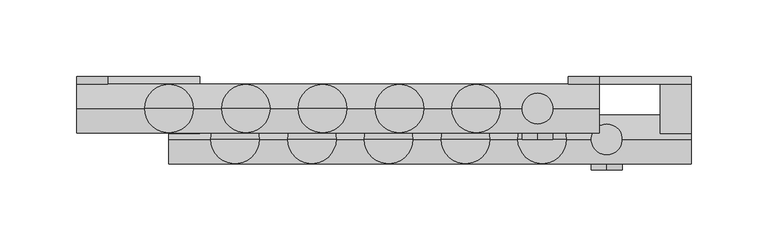
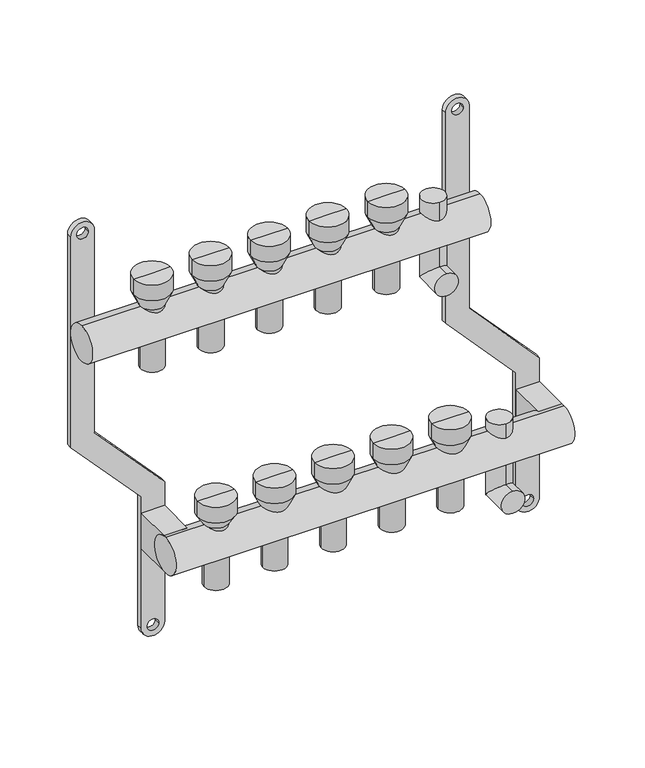
"""IFC4 building model written with IfcOpenShell, lengths in millimetres: proxy geometry."""

from ifc_helpers import new_model, si_unit, point, frame, frame_2d, origin, origin_2d, place, context, project, spatial, polyline, circle_curve, ellipse_curve, trimmed, segment, composite_curve, outline, extrude, source, transform, mapped, element, save
from ifc_brep_helpers import plane_surface, cylinder_surface, revolved_surface, advanced_brep


def mechanical_equipment_9a2f04f0(model_context):
    return source(origin(), model_context, "Body", "SolidModel", [
        extrude(outline(composite_curve([segment(trimmed(circle_curve(frame_2d((86.2845679, 320.0)), 10.0), [point((86.2845679, 330.0))], [point((86.2845679, 310.0))], False, "CARTESIAN"), True, "CONTINUOUS"), segment(polyline([(86.2845679, 310.0), (-103.7138261, 310.0), (-169.0329221, 370.0), (-287.9537524, 370.0)]), True, "CONTINUOUS"), segment(trimmed(circle_curve(frame_2d((-287.9537524, 380.0)), 10.0), [point((-287.9537524, 370.0))], [point((-287.9537524, 390.0))], False, "CARTESIAN"), True, "CONTINUOUS"), segment(polyline([(-287.9537524, 390.0), (-162.5345282, 390.0), (-97.2154321, 330.0), (86.2845679, 330.0)]), True, "CONTINUOUS")], self_intersect=False), holes=[composite_curve([segment(trimmed(circle_curve(frame_2d((86.2845679, 320.0)), 5.0), [point((86.2845679, 315.0))], [point((86.2845679, 325.0))], True, "CARTESIAN"), True, "CONTINUOUS"), segment(trimmed(circle_curve(frame_2d((86.2845679, 320.0)), 5.0), [point((86.2845679, 325.0))], [point((86.2845679, 315.0))], True, "CARTESIAN"), True, "CONTINUOUS")], self_intersect=False), composite_curve([segment(trimmed(circle_curve(frame_2d((-287.9537524, 380.0)), 5.0), [point((-287.9537524, 375.0))], [point((-287.9537524, 385.0))], True, "CARTESIAN"), True, "CONTINUOUS"), segment(trimmed(circle_curve(frame_2d((-287.9537524, 380.0)), 5.0), [point((-287.9537524, 385.0))], [point((-287.9537524, 375.0))], True, "CARTESIAN"), True, "CONTINUOUS")], self_intersect=False)]), frame((0.0, 16.0, 0.0), z_axis=(0.0, 1.0, 0.0), x_axis=(0.0, 0.0, 1.0)), (0.0, 0.0, 1.0), 4.847249),
        advanced_brep(
        [(335.0, -40.0, -250.0), (335.0, -40.0, -230.0), (335.0, -10.0, -250.0), (335.0, -30.0, -230.0), (335.0, -10.0, -175.079492), (335.0, -30.0, -175.079492)],
        [
            (0, 1, circle_curve(frame((335.0, -40.0, -240.0), z_axis=(0.0, -1.0, 0.0), x_axis=(0.0, 0.0, 1.0)), 10.0)),
            (1, 0, circle_curve(frame((335.0, -40.0, -240.0), z_axis=(0.0, -1.0, 0.0), x_axis=(0.0, 0.0, 1.0)), 10.0)),
            (0, 2),
            (2, 3, ellipse_curve(frame((335.0, -20.0, -240.0), z_axis=(0.0, -0.7071067811865475, -0.7071067811865475), x_axis=(0.0, -0.7071067811865476, 0.7071067811865474)), 14.1421356, 10.0)),
            (3, 1),
            (3, 2, ellipse_curve(frame((335.0, -20.0, -240.0), z_axis=(0.0, -0.7071067811865475, -0.7071067811865475), x_axis=(0.0, -0.7071067811865476, 0.7071067811865474)), 14.1421356, 10.0)),
            (4, 5, circle_curve(frame((335.0, -20.0, -175.079492), z_axis=(0.0, 0.0, 1.0), x_axis=(0.0, -1.0, 0.0)), 10.0)),
            (5, 4, circle_curve(frame((335.0, -20.0, -175.079492), z_axis=(0.0, 0.0, 1.0), x_axis=(0.0, -1.0, 0.0)), 10.0)),
            (2, 4),
            (5, 3),
        ],
        [
            plane_surface(frame((335.0, -40.0, -240.0), z_axis=(0.0, -1.0, 0.0), x_axis=(1.0, 0.0, 0.0))),
            cylinder_surface(frame((335.0, -40.0, -240.0), z_axis=(0.0, -1.0, 0.0), x_axis=(0.0, 0.0, 1.0)), 10.0),
            plane_surface(frame((335.0, -20.0, -175.079492), z_axis=(0.0, 0.0, 1.0), x_axis=(1.0, 0.0, 0.0))),
            cylinder_surface(frame((335.0, -20.0, -240.0), z_axis=(0.0, 0.0, -1.0), x_axis=(0.0, -1.0, 0.0)), 10.0),
        ],
        [
            (0, [[1, 2]]),
            (1, [[-1, 3, 4, 5]]),
            (1, [[-2, -5, 6, -3]]),
            (2, [[7, 8]]),
            (3, [[-4, 9, -8, 10]]),
            (3, [[-6, -10, -7, -9]]),
        ],
    ),
        advanced_brep(
        [(290.0, -20.0, -50.0), (290.0, -20.0, -30.0), (290.0, 10.0, -50.0), (290.0, -10.0, -30.0), (290.0, 10.0, 28.420508), (290.0, -10.0, 28.420508)],
        [
            (0, 1, circle_curve(frame((290.0, -20.0, -40.0), z_axis=(0.0, -1.0, 0.0), x_axis=(0.0, 0.0, 1.0)), 10.0)),
            (1, 0, circle_curve(frame((290.0, -20.0, -40.0), z_axis=(0.0, -1.0, 0.0), x_axis=(0.0, 0.0, 1.0)), 10.0)),
            (0, 2),
            (2, 3, ellipse_curve(frame((290.0, 0.0, -40.0), z_axis=(0.0, -0.7071067811865486, -0.7071067811865464), x_axis=(0.0, -0.7071067811865466, 0.7071067811865485)), 14.1421356, 10.0)),
            (3, 1),
            (3, 2, ellipse_curve(frame((290.0, 0.0, -40.0), z_axis=(0.0, -0.7071067811865486, -0.7071067811865464), x_axis=(0.0, -0.7071067811865466, 0.7071067811865485)), 14.1421356, 10.0)),
            (4, 5, circle_curve(frame((290.0, 0.0, 28.420508), z_axis=(0.0, 0.0, 1.0), x_axis=(0.0, -1.0, 0.0)), 10.0)),
            (5, 4, circle_curve(frame((290.0, 0.0, 28.420508), z_axis=(0.0, 0.0, 1.0), x_axis=(0.0, -1.0, 0.0)), 10.0)),
            (2, 4),
            (5, 3),
        ],
        [
            plane_surface(frame((290.0, -20.0, -40.0), z_axis=(0.0, -1.0, 0.0), x_axis=(1.0, 0.0, 0.0))),
            cylinder_surface(frame((290.0, -20.0, -40.0), z_axis=(0.0, -1.0, 0.0), x_axis=(0.0, 0.0, 1.0)), 10.0),
            plane_surface(frame((290.0, 0.0, 28.420508), z_axis=(0.0, 0.0, 1.0), x_axis=(1.0, 0.0, 0.0))),
            cylinder_surface(frame((290.0, 0.0, -40.0), z_axis=(0.0, 0.0, -1.0), x_axis=(0.0, -1.0, 0.0)), 10.0),
        ],
        [
            (0, [[1, 2]]),
            (1, [[-1, 3, 4, 5]]),
            (1, [[-2, -5, 6, -3]]),
            (2, [[7, 8]]),
            (3, [[-4, 9, -8, 10]]),
            (3, [[-6, -10, -7, -9]]),
        ],
    ),
        extrude(outline(composite_curve([segment(trimmed(circle_curve(frame_2d((-20.0, -200.0)), 16.0), [point((-20.0, -216.0))], [point((-20.0, -184.0))], False, "CARTESIAN"), True, "CONTINUOUS"), segment(trimmed(circle_curve(frame_2d((-20.0, -200.0)), 16.0), [point((-20.0, -184.0))], [point((-20.0, -216.0))], False, "CARTESIAN"), True, "CONTINUOUS")], self_intersect=False)), frame((50.0, 0.0, 0.0), z_axis=(1.0, 0.0, 0.0), x_axis=(0.0, 1.0, 0.0)), (0.0, 0.0, 1.0), 340.0),
        extrude(outline(composite_curve([segment(trimmed(circle_curve(origin_2d(), 16.0), [point((0.0, -16.0))], [point((0.0, 16.0))], False, "CARTESIAN"), True, "CONTINUOUS"), segment(trimmed(circle_curve(origin_2d(), 16.0), [point((0.0, 16.0))], [point((0.0, -16.0))], False, "CARTESIAN"), True, "CONTINUOUS")], self_intersect=False)), frame((-10.0, 0.0, 0.0), z_axis=(1.0, 0.0, 0.0), x_axis=(0.0, 1.0, 0.0)), (0.0, 0.0, 1.0), 340.0),
        extrude(outline(polyline([(390.0, 16.0), (390.0, -20.0), (370.0, -20.0), (370.0, 16.0), (390.0, 16.0)])), frame((0.0, 0.0, -216.0), z_axis=(0.0, 0.0, 1.0), x_axis=(1.0, 0.0, 0.0)), (0.0, 0.0, 1.0), 32.0),
        extrude(outline(polyline([(70.0, 16.0), (70.0, -20.0), (50.0, -20.0), (50.0, 16.0), (70.0, 16.0)])), frame((0.0, 0.0, -216.0), z_axis=(0.0, 0.0, 1.0), x_axis=(1.0, 0.0, 0.0)), (0.0, 0.0, 1.0), 32.0),
        advanced_brep(
        [(258.0, 0.0, -40.0), (242.0, 0.0, -40.0), (242.0, 0.0, 16.0), (258.0, 0.0, 16.0), (260.0, 0.0, -40.0), (240.0, 0.0, -40.0), (260.0, 0.0, 16.0), (240.0, 0.0, 16.0), (265.791778, 0.0, 28.420508), (234.208222, 0.0, 28.420508), (265.791778, 0.0, 42.4712727), (234.208222, 0.0, 42.4712727), (250.0, 0.0, 42.4712727), (250.0, 0.0, 16.0)],
        [
            (0, 1, circle_curve(frame((250.0, 0.0, -40.0), z_axis=(0.0, 0.0, -1.0), x_axis=(-1.0, 0.0, 0.0)), 8.0)),
            (1, 2),
            (2, 3, circle_curve(frame((250.0, 0.0, 16.0), z_axis=(0.0, 0.0, 1.0), x_axis=(-1.0, 0.0, 0.0)), 8.0)),
            (3, 0),
            (1, 0, circle_curve(frame((250.0, 0.0, -40.0), z_axis=(0.0, 0.0, -1.0), x_axis=(-1.0, 0.0, 0.0)), 8.0)),
            (3, 2, circle_curve(frame((250.0, 0.0, 16.0), z_axis=(0.0, 0.0, 1.0), x_axis=(-1.0, 0.0, 0.0)), 8.0)),
            (4, 5, circle_curve(frame((250.0, 0.0, -40.0), z_axis=(0.0, 0.0, -1.0), x_axis=(-1.0, 0.0, 0.0)), 10.0)),
            (5, 1),
            (0, 4),
            (5, 4, circle_curve(frame((250.0, 0.0, -40.0), z_axis=(0.0, 0.0, -1.0), x_axis=(-1.0, 0.0, 0.0)), 10.0)),
            (6, 7, circle_curve(frame((250.0, 0.0, 16.0), z_axis=(0.0, 0.0, -1.0), x_axis=(-1.0, 0.0, 0.0)), 10.0)),
            (7, 5),
            (4, 6),
            (7, 6, circle_curve(frame((250.0, 0.0, 16.0), z_axis=(0.0, 0.0, -1.0), x_axis=(-1.0, 0.0, 0.0)), 10.0)),
            (8, 9, circle_curve(frame((250.0, 0.0, 28.420508), z_axis=(0.0, 0.0, -1.0), x_axis=(-1.0, 0.0, 0.0)), 15.791778)),
            (9, 7),
            (6, 8),
            (9, 8, circle_curve(frame((250.0, 0.0, 28.420508), z_axis=(0.0, 0.0, -1.0), x_axis=(-1.0, 0.0, 0.0)), 15.791778)),
            (10, 11, circle_curve(frame((250.0, 0.0, 42.4712727), z_axis=(0.0, 0.0, -1.0), x_axis=(-1.0, 0.0, 0.0)), 15.791778)),
            (11, 9),
            (8, 10),
            (11, 10, circle_curve(frame((250.0, 0.0, 42.4712727), z_axis=(0.0, 0.0, -1.0), x_axis=(-1.0, 0.0, 0.0)), 15.791778)),
            (12, 11),
            (10, 12),
            (2, 13),
            (13, 3),
        ],
        [
            revolved_surface(polyline([(242.0, 0.0, 16.0), (242.0, 0.0, -40.0)]), (250.0, 0.0, 0.0), (0.0, 0.0, 1.0)),
            plane_surface(frame((250.0, 0.0, -40.0), z_axis=(0.0, 0.0, -1.0), x_axis=(-1.0, 0.0, 0.0))),
            cylinder_surface(frame((250.0, 0.0, 0.0), z_axis=(0.0, 0.0, 1.0), x_axis=(-1.0, 0.0, 0.0)), 10.0),
            revolved_surface(polyline([(240.0, 0.0, 16.0), (234.208222, 0.0, 28.420508)]), (250.0, 0.0, 0.0), (0.0, 0.0, 1.0)),
            cylinder_surface(frame((250.0, 0.0, 0.0), z_axis=(0.0, 0.0, 1.0), x_axis=(-1.0, 0.0, 0.0)), 15.791778),
            plane_surface(frame((250.0, 0.0, 42.4712727), z_axis=(0.0, 0.0, 1.0), x_axis=(-1.0, 0.0, 0.0))),
            plane_surface(frame((250.0, 0.0, 16.0), z_axis=(0.0, 0.0, -1.0), x_axis=(-1.0, 0.0, 0.0))),
        ],
        [
            (0, [[1, 2, 3, 4]]),
            (0, [[5, -4, 6, -2]]),
            (1, [[7, 8, -1, 9]]),
            (1, [[10, -9, -5, -8]]),
            (2, [[11, 12, -7, 13]]),
            (2, [[14, -13, -10, -12]]),
            (3, [[15, 16, -11, 17]]),
            (3, [[18, -17, -14, -16]]),
            (4, [[19, 20, -15, 21]]),
            (4, [[22, -21, -18, -20]]),
            (5, [[23, -19, 24]]),
            (5, [[-24, -22, -23]]),
            (6, [[-3, 25, 26]]),
            (6, [[-6, -26, -25]]),
        ],
    ),
        advanced_brep(
        [(208.0, 0.0, -40.0), (192.0, 0.0, -40.0), (192.0, 0.0, 16.0), (208.0, 0.0, 16.0), (210.0, 0.0, -40.0), (190.0, 0.0, -40.0), (210.0, 0.0, 16.0), (190.0, 0.0, 16.0), (215.791778, 0.0, 28.420508), (184.208222, 0.0, 28.420508), (215.791778, 0.0, 42.4712727), (184.208222, 0.0, 42.4712727), (200.0, 0.0, 42.4712727), (200.0, 0.0, 16.0)],
        [
            (0, 1, circle_curve(frame((200.0, 0.0, -40.0), z_axis=(0.0, 0.0, -1.0), x_axis=(-1.0, 0.0, 0.0)), 8.0)),
            (1, 2),
            (2, 3, circle_curve(frame((200.0, 0.0, 16.0), z_axis=(0.0, 0.0, 1.0), x_axis=(-1.0, 0.0, 0.0)), 8.0)),
            (3, 0),
            (1, 0, circle_curve(frame((200.0, 0.0, -40.0), z_axis=(0.0, 0.0, -1.0), x_axis=(-1.0, 0.0, 0.0)), 8.0)),
            (3, 2, circle_curve(frame((200.0, 0.0, 16.0), z_axis=(0.0, 0.0, 1.0), x_axis=(-1.0, 0.0, 0.0)), 8.0)),
            (4, 5, circle_curve(frame((200.0, 0.0, -40.0), z_axis=(0.0, 0.0, -1.0), x_axis=(-1.0, 0.0, 0.0)), 10.0)),
            (5, 1),
            (0, 4),
            (5, 4, circle_curve(frame((200.0, 0.0, -40.0), z_axis=(0.0, 0.0, -1.0), x_axis=(-1.0, 0.0, 0.0)), 10.0)),
            (6, 7, circle_curve(frame((200.0, 0.0, 16.0), z_axis=(0.0, 0.0, -1.0), x_axis=(-1.0, 0.0, 0.0)), 10.0)),
            (7, 5),
            (4, 6),
            (7, 6, circle_curve(frame((200.0, 0.0, 16.0), z_axis=(0.0, 0.0, -1.0), x_axis=(-1.0, 0.0, 0.0)), 10.0)),
            (8, 9, circle_curve(frame((200.0, 0.0, 28.420508), z_axis=(0.0, 0.0, -1.0), x_axis=(-1.0, 0.0, 0.0)), 15.791778)),
            (9, 7),
            (6, 8),
            (9, 8, circle_curve(frame((200.0, 0.0, 28.420508), z_axis=(0.0, 0.0, -1.0), x_axis=(-1.0, 0.0, 0.0)), 15.791778)),
            (10, 11, circle_curve(frame((200.0, 0.0, 42.4712727), z_axis=(0.0, 0.0, -1.0), x_axis=(-1.0, 0.0, 0.0)), 15.791778)),
            (11, 9),
            (8, 10),
            (11, 10, circle_curve(frame((200.0, 0.0, 42.4712727), z_axis=(0.0, 0.0, -1.0), x_axis=(-1.0, 0.0, 0.0)), 15.791778)),
            (12, 11),
            (10, 12),
            (2, 13),
            (13, 3),
        ],
        [
            revolved_surface(polyline([(192.0, 0.0, 16.0), (192.0, 0.0, -40.0)]), (200.0, 0.0, 0.0), (0.0, 0.0, 1.0)),
            plane_surface(frame((200.0, 0.0, -40.0), z_axis=(0.0, 0.0, -1.0), x_axis=(-1.0, 0.0, 0.0))),
            cylinder_surface(frame((200.0, 0.0, 0.0), z_axis=(0.0, 0.0, 1.0), x_axis=(-1.0, 0.0, 0.0)), 10.0),
            revolved_surface(polyline([(190.0, 0.0, 16.0), (184.208222, 0.0, 28.420508)]), (200.0, 0.0, 0.0), (0.0, 0.0, 1.0)),
            cylinder_surface(frame((200.0, 0.0, 0.0), z_axis=(0.0, 0.0, 1.0), x_axis=(-1.0, 0.0, 0.0)), 15.791778),
            plane_surface(frame((200.0, 0.0, 42.4712727), z_axis=(0.0, 0.0, 1.0), x_axis=(-1.0, 0.0, 0.0))),
            plane_surface(frame((200.0, 0.0, 16.0), z_axis=(0.0, 0.0, -1.0), x_axis=(-1.0, 0.0, 0.0))),
        ],
        [
            (0, [[1, 2, 3, 4]]),
            (0, [[5, -4, 6, -2]]),
            (1, [[7, 8, -1, 9]]),
            (1, [[10, -9, -5, -8]]),
            (2, [[11, 12, -7, 13]]),
            (2, [[14, -13, -10, -12]]),
            (3, [[15, 16, -11, 17]]),
            (3, [[18, -17, -14, -16]]),
            (4, [[19, 20, -15, 21]]),
            (4, [[22, -21, -18, -20]]),
            (5, [[23, -19, 24]]),
            (5, [[-24, -22, -23]]),
            (6, [[-3, 25, 26]]),
            (6, [[-6, -26, -25]]),
        ],
    ),
        advanced_brep(
        [(158.0, 0.0, -40.0), (142.0, 0.0, -40.0), (142.0, 0.0, 16.0), (158.0, 0.0, 16.0), (160.0, 0.0, -40.0), (140.0, 0.0, -40.0), (160.0, 0.0, 16.0), (140.0, 0.0, 16.0), (165.791778, 0.0, 28.420508), (134.208222, 0.0, 28.420508), (165.791778, 0.0, 42.4712727), (134.208222, 0.0, 42.4712727), (150.0, 0.0, 42.4712727), (150.0, 0.0, 16.0)],
        [
            (0, 1, circle_curve(frame((150.0, 0.0, -40.0), z_axis=(0.0, 0.0, -1.0), x_axis=(-1.0, 0.0, 0.0)), 8.0)),
            (1, 2),
            (2, 3, circle_curve(frame((150.0, 0.0, 16.0), z_axis=(0.0, 0.0, 1.0), x_axis=(-1.0, 0.0, 0.0)), 8.0)),
            (3, 0),
            (1, 0, circle_curve(frame((150.0, 0.0, -40.0), z_axis=(0.0, 0.0, -1.0), x_axis=(-1.0, 0.0, 0.0)), 8.0)),
            (3, 2, circle_curve(frame((150.0, 0.0, 16.0), z_axis=(0.0, 0.0, 1.0), x_axis=(-1.0, 0.0, 0.0)), 8.0)),
            (4, 5, circle_curve(frame((150.0, 0.0, -40.0), z_axis=(0.0, 0.0, -1.0), x_axis=(-1.0, 0.0, 0.0)), 10.0)),
            (5, 1),
            (0, 4),
            (5, 4, circle_curve(frame((150.0, 0.0, -40.0), z_axis=(0.0, 0.0, -1.0), x_axis=(-1.0, 0.0, 0.0)), 10.0)),
            (6, 7, circle_curve(frame((150.0, 0.0, 16.0), z_axis=(0.0, 0.0, -1.0), x_axis=(-1.0, 0.0, 0.0)), 10.0)),
            (7, 5),
            (4, 6),
            (7, 6, circle_curve(frame((150.0, 0.0, 16.0), z_axis=(0.0, 0.0, -1.0), x_axis=(-1.0, 0.0, 0.0)), 10.0)),
            (8, 9, circle_curve(frame((150.0, 0.0, 28.420508), z_axis=(0.0, 0.0, -1.0), x_axis=(-1.0, 0.0, 0.0)), 15.791778)),
            (9, 7),
            (6, 8),
            (9, 8, circle_curve(frame((150.0, 0.0, 28.420508), z_axis=(0.0, 0.0, -1.0), x_axis=(-1.0, 0.0, 0.0)), 15.791778)),
            (10, 11, circle_curve(frame((150.0, 0.0, 42.4712727), z_axis=(0.0, 0.0, -1.0), x_axis=(-1.0, 0.0, 0.0)), 15.791778)),
            (11, 9),
            (8, 10),
            (11, 10, circle_curve(frame((150.0, 0.0, 42.4712727), z_axis=(0.0, 0.0, -1.0), x_axis=(-1.0, 0.0, 0.0)), 15.791778)),
            (12, 11),
            (10, 12),
            (2, 13),
            (13, 3),
        ],
        [
            revolved_surface(polyline([(142.0, 0.0, 16.0), (142.0, 0.0, -40.0)]), (150.0, 0.0, 0.0), (0.0, 0.0, 1.0)),
            plane_surface(frame((150.0, 0.0, -40.0), z_axis=(0.0, 0.0, -1.0), x_axis=(-1.0, 0.0, 0.0))),
            cylinder_surface(frame((150.0, 0.0, 0.0), z_axis=(0.0, 0.0, 1.0), x_axis=(-1.0, 0.0, 0.0)), 10.0),
            revolved_surface(polyline([(140.0, 0.0, 16.0), (134.208222, 0.0, 28.420508)]), (150.0, 0.0, 0.0), (0.0, 0.0, 1.0)),
            cylinder_surface(frame((150.0, 0.0, 0.0), z_axis=(0.0, 0.0, 1.0), x_axis=(-1.0, 0.0, 0.0)), 15.791778),
            plane_surface(frame((150.0, 0.0, 42.4712727), z_axis=(0.0, 0.0, 1.0), x_axis=(-1.0, 0.0, 0.0))),
            plane_surface(frame((150.0, 0.0, 16.0), z_axis=(0.0, 0.0, -1.0), x_axis=(-1.0, 0.0, 0.0))),
        ],
        [
            (0, [[1, 2, 3, 4]]),
            (0, [[5, -4, 6, -2]]),
            (1, [[7, 8, -1, 9]]),
            (1, [[10, -9, -5, -8]]),
            (2, [[11, 12, -7, 13]]),
            (2, [[14, -13, -10, -12]]),
            (3, [[15, 16, -11, 17]]),
            (3, [[18, -17, -14, -16]]),
            (4, [[19, 20, -15, 21]]),
            (4, [[22, -21, -18, -20]]),
            (5, [[23, -19, 24]]),
            (5, [[-24, -22, -23]]),
            (6, [[-3, 25, 26]]),
            (6, [[-6, -26, -25]]),
        ],
    ),
        advanced_brep(
        [(108.0, 0.0, -40.0), (92.0, 0.0, -40.0), (92.0, 0.0, 16.0), (108.0, 0.0, 16.0), (110.0, 0.0, -40.0), (90.0, 0.0, -40.0), (110.0, 0.0, 16.0), (90.0, 0.0, 16.0), (115.791778, 0.0, 28.420508), (84.208222, 0.0, 28.420508), (115.791778, 0.0, 42.4712727), (84.208222, 0.0, 42.4712727), (100.0, 0.0, 42.4712727), (100.0, 0.0, 16.0)],
        [
            (0, 1, circle_curve(frame((100.0, 0.0, -40.0), z_axis=(0.0, 0.0, -1.0), x_axis=(-1.0, 0.0, 0.0)), 8.0)),
            (1, 2),
            (2, 3, circle_curve(frame((100.0, 0.0, 16.0), z_axis=(0.0, 0.0, 1.0), x_axis=(-1.0, 0.0, 0.0)), 8.0)),
            (3, 0),
            (1, 0, circle_curve(frame((100.0, 0.0, -40.0), z_axis=(0.0, 0.0, -1.0), x_axis=(-1.0, 0.0, 0.0)), 8.0)),
            (3, 2, circle_curve(frame((100.0, 0.0, 16.0), z_axis=(0.0, 0.0, 1.0), x_axis=(-1.0, 0.0, 0.0)), 8.0)),
            (4, 5, circle_curve(frame((100.0, 0.0, -40.0), z_axis=(0.0, 0.0, -1.0), x_axis=(-1.0, 0.0, 0.0)), 10.0)),
            (5, 1),
            (0, 4),
            (5, 4, circle_curve(frame((100.0, 0.0, -40.0), z_axis=(0.0, 0.0, -1.0), x_axis=(-1.0, 0.0, 0.0)), 10.0)),
            (6, 7, circle_curve(frame((100.0, 0.0, 16.0), z_axis=(0.0, 0.0, -1.0), x_axis=(-1.0, 0.0, 0.0)), 10.0)),
            (7, 5),
            (4, 6),
            (7, 6, circle_curve(frame((100.0, 0.0, 16.0), z_axis=(0.0, 0.0, -1.0), x_axis=(-1.0, 0.0, 0.0)), 10.0)),
            (8, 9, circle_curve(frame((100.0, 0.0, 28.420508), z_axis=(0.0, 0.0, -1.0), x_axis=(-1.0, 0.0, 0.0)), 15.791778)),
            (9, 7),
            (6, 8),
            (9, 8, circle_curve(frame((100.0, 0.0, 28.420508), z_axis=(0.0, 0.0, -1.0), x_axis=(-1.0, 0.0, 0.0)), 15.791778)),
            (10, 11, circle_curve(frame((100.0, 0.0, 42.4712727), z_axis=(0.0, 0.0, -1.0), x_axis=(-1.0, 0.0, 0.0)), 15.791778)),
            (11, 9),
            (8, 10),
            (11, 10, circle_curve(frame((100.0, 0.0, 42.4712727), z_axis=(0.0, 0.0, -1.0), x_axis=(-1.0, 0.0, 0.0)), 15.791778)),
            (12, 11),
            (10, 12),
            (2, 13),
            (13, 3),
        ],
        [
            revolved_surface(polyline([(92.0, 0.0, 16.0), (92.0, 0.0, -40.0)]), (100.0, 0.0, 0.0), (0.0, 0.0, 1.0)),
            plane_surface(frame((100.0, 0.0, -40.0), z_axis=(0.0, 0.0, -1.0), x_axis=(-1.0, 0.0, 0.0))),
            cylinder_surface(frame((100.0, 0.0, 0.0), z_axis=(0.0, 0.0, 1.0), x_axis=(-1.0, 0.0, 0.0)), 10.0),
            revolved_surface(polyline([(90.0, 0.0, 16.0), (84.208222, 0.0, 28.420508)]), (100.0, 0.0, 0.0), (0.0, 0.0, 1.0)),
            cylinder_surface(frame((100.0, 0.0, 0.0), z_axis=(0.0, 0.0, 1.0), x_axis=(-1.0, 0.0, 0.0)), 15.791778),
            plane_surface(frame((100.0, 0.0, 42.4712727), z_axis=(0.0, 0.0, 1.0), x_axis=(-1.0, 0.0, 0.0))),
            plane_surface(frame((100.0, 0.0, 16.0), z_axis=(0.0, 0.0, -1.0), x_axis=(-1.0, 0.0, 0.0))),
        ],
        [
            (0, [[1, 2, 3, 4]]),
            (0, [[5, -4, 6, -2]]),
            (1, [[7, 8, -1, 9]]),
            (1, [[10, -9, -5, -8]]),
            (2, [[11, 12, -7, 13]]),
            (2, [[14, -13, -10, -12]]),
            (3, [[15, 16, -11, 17]]),
            (3, [[18, -17, -14, -16]]),
            (4, [[19, 20, -15, 21]]),
            (4, [[22, -21, -18, -20]]),
            (5, [[23, -19, 24]]),
            (5, [[-24, -22, -23]]),
            (6, [[-3, 25, 26]]),
            (6, [[-6, -26, -25]]),
        ],
    ),
        advanced_brep(
        [(58.0, 0.0, -40.0), (42.0, 0.0, -40.0), (42.0, 0.0, 16.0), (58.0, 0.0, 16.0), (60.0, 0.0, -40.0), (40.0, 0.0, -40.0), (60.0, 0.0, 16.0), (40.0, 0.0, 16.0), (65.791778, 0.0, 28.420508), (34.208222, 0.0, 28.420508), (65.791778, 0.0, 42.4712727), (34.208222, 0.0, 42.4712727), (50.0, 0.0, 42.4712727), (50.0, 0.0, 16.0)],
        [
            (0, 1, circle_curve(frame((50.0, 0.0, -40.0), z_axis=(0.0, 0.0, -1.0), x_axis=(-1.0, 0.0, 0.0)), 8.0)),
            (1, 2),
            (2, 3, circle_curve(frame((50.0, 0.0, 16.0), z_axis=(0.0, 0.0, 1.0), x_axis=(-1.0, 0.0, 0.0)), 8.0)),
            (3, 0),
            (1, 0, circle_curve(frame((50.0, 0.0, -40.0), z_axis=(0.0, 0.0, -1.0), x_axis=(-1.0, 0.0, 0.0)), 8.0)),
            (3, 2, circle_curve(frame((50.0, 0.0, 16.0), z_axis=(0.0, 0.0, 1.0), x_axis=(-1.0, 0.0, 0.0)), 8.0)),
            (4, 5, circle_curve(frame((50.0, 0.0, -40.0), z_axis=(0.0, 0.0, -1.0), x_axis=(-1.0, 0.0, 0.0)), 10.0)),
            (5, 1),
            (0, 4),
            (5, 4, circle_curve(frame((50.0, 0.0, -40.0), z_axis=(0.0, 0.0, -1.0), x_axis=(-1.0, 0.0, 0.0)), 10.0)),
            (6, 7, circle_curve(frame((50.0, 0.0, 16.0), z_axis=(0.0, 0.0, -1.0), x_axis=(-1.0, 0.0, 0.0)), 10.0)),
            (7, 5),
            (4, 6),
            (7, 6, circle_curve(frame((50.0, 0.0, 16.0), z_axis=(0.0, 0.0, -1.0), x_axis=(-1.0, 0.0, 0.0)), 10.0)),
            (8, 9, circle_curve(frame((50.0, 0.0, 28.420508), z_axis=(0.0, 0.0, -1.0), x_axis=(-1.0, 0.0, 0.0)), 15.791778)),
            (9, 7),
            (6, 8),
            (9, 8, circle_curve(frame((50.0, 0.0, 28.420508), z_axis=(0.0, 0.0, -1.0), x_axis=(-1.0, 0.0, 0.0)), 15.791778)),
            (10, 11, circle_curve(frame((50.0, 0.0, 42.4712727), z_axis=(0.0, 0.0, -1.0), x_axis=(-1.0, 0.0, 0.0)), 15.791778)),
            (11, 9),
            (8, 10),
            (11, 10, circle_curve(frame((50.0, 0.0, 42.4712727), z_axis=(0.0, 0.0, -1.0), x_axis=(-1.0, 0.0, 0.0)), 15.791778)),
            (12, 11),
            (10, 12),
            (2, 13),
            (13, 3),
        ],
        [
            revolved_surface(polyline([(42.0, 0.0, 16.0), (42.0, 0.0, -40.0)]), (50.0, 0.0, 0.0), (0.0, 0.0, 1.0)),
            plane_surface(frame((50.0, 0.0, -40.0), z_axis=(0.0, 0.0, -1.0), x_axis=(-1.0, 0.0, 0.0))),
            cylinder_surface(frame((50.0, 0.0, 0.0), z_axis=(0.0, 0.0, 1.0), x_axis=(-1.0, 0.0, 0.0)), 10.0),
            revolved_surface(polyline([(40.0, 0.0, 16.0), (34.208222, 0.0, 28.420508)]), (50.0, 0.0, 0.0), (0.0, 0.0, 1.0)),
            cylinder_surface(frame((50.0, 0.0, 0.0), z_axis=(0.0, 0.0, 1.0), x_axis=(-1.0, 0.0, 0.0)), 15.791778),
            plane_surface(frame((50.0, 0.0, 42.4712727), z_axis=(0.0, 0.0, 1.0), x_axis=(-1.0, 0.0, 0.0))),
            plane_surface(frame((50.0, 0.0, 16.0), z_axis=(0.0, 0.0, -1.0), x_axis=(-1.0, 0.0, 0.0))),
        ],
        [
            (0, [[1, 2, 3, 4]]),
            (0, [[5, -4, 6, -2]]),
            (1, [[7, 8, -1, 9]]),
            (1, [[10, -9, -5, -8]]),
            (2, [[11, 12, -7, 13]]),
            (2, [[14, -13, -10, -12]]),
            (3, [[15, 16, -11, 17]]),
            (3, [[18, -17, -14, -16]]),
            (4, [[19, 20, -15, 21]]),
            (4, [[22, -21, -18, -20]]),
            (5, [[23, -19, 24]]),
            (5, [[-24, -22, -23]]),
            (6, [[-3, 25, 26]]),
            (6, [[-6, -26, -25]]),
        ],
    ),
        advanced_brep(
        [(301.0, -20.0, -240.0), (285.0, -20.0, -240.0), (285.0, -20.0, -187.5), (301.0, -20.0, -187.5), (303.0, -20.0, -240.0), (283.0, -20.0, -240.0), (303.0, -20.0, -187.5), (283.0, -20.0, -187.5), (308.791778, -20.0, -175.079492), (277.208222, -20.0, -175.079492), (308.791778, -20.0, -161.0287273), (277.208222, -20.0, -161.0287273), (293.0, -20.0, -161.0287273), (293.0, -20.0, -187.5)],
        [
            (0, 1, circle_curve(frame((293.0, -20.0, -240.0), z_axis=(0.0, 0.0, -1.0), x_axis=(-1.0, 0.0, 0.0)), 8.0)),
            (1, 2),
            (2, 3, circle_curve(frame((293.0, -20.0, -187.5), z_axis=(0.0, 0.0, 1.0), x_axis=(-1.0, 0.0, 0.0)), 8.0)),
            (3, 0),
            (1, 0, circle_curve(frame((293.0, -20.0, -240.0), z_axis=(0.0, 0.0, -1.0), x_axis=(-1.0, 0.0, 0.0)), 8.0)),
            (3, 2, circle_curve(frame((293.0, -20.0, -187.5), z_axis=(0.0, 0.0, 1.0), x_axis=(-1.0, 0.0, 0.0)), 8.0)),
            (4, 5, circle_curve(frame((293.0, -20.0, -240.0), z_axis=(0.0, 0.0, -1.0), x_axis=(-1.0, 0.0, 0.0)), 10.0)),
            (5, 1),
            (0, 4),
            (5, 4, circle_curve(frame((293.0, -20.0, -240.0), z_axis=(0.0, 0.0, -1.0), x_axis=(-1.0, 0.0, 0.0)), 10.0)),
            (6, 7, circle_curve(frame((293.0, -20.0, -187.5), z_axis=(0.0, 0.0, -1.0), x_axis=(-1.0, 0.0, 0.0)), 10.0)),
            (7, 5),
            (4, 6),
            (7, 6, circle_curve(frame((293.0, -20.0, -187.5), z_axis=(0.0, 0.0, -1.0), x_axis=(-1.0, 0.0, 0.0)), 10.0)),
            (8, 9, circle_curve(frame((293.0, -20.0, -175.079492), z_axis=(0.0, 0.0, -1.0), x_axis=(-1.0, 0.0, 0.0)), 15.791778)),
            (9, 7),
            (6, 8),
            (9, 8, circle_curve(frame((293.0, -20.0, -175.079492), z_axis=(0.0, 0.0, -1.0), x_axis=(-1.0, 0.0, 0.0)), 15.791778)),
            (10, 11, circle_curve(frame((293.0, -20.0, -161.0287273), z_axis=(0.0, 0.0, -1.0), x_axis=(-1.0, 0.0, 0.0)), 15.791778)),
            (11, 9),
            (8, 10),
            (11, 10, circle_curve(frame((293.0, -20.0, -161.0287273), z_axis=(0.0, 0.0, -1.0), x_axis=(-1.0, 0.0, 0.0)), 15.791778)),
            (12, 11),
            (10, 12),
            (2, 13),
            (13, 3),
        ],
        [
            revolved_surface(polyline([(285.0, -20.0, -187.5), (285.0, -20.0, -240.0)]), (293.0, -20.0, -200.0), (0.0, 0.0, 1.0)),
            plane_surface(frame((293.0, -20.0, -240.0), z_axis=(0.0, 0.0, -1.0), x_axis=(-1.0, 0.0, 0.0))),
            cylinder_surface(frame((293.0, -20.0, -200.0), z_axis=(0.0, 0.0, 1.0), x_axis=(-1.0, 0.0, 0.0)), 10.0),
            revolved_surface(polyline([(283.0, -20.0, -187.5), (277.208222, -20.0, -175.079492)]), (293.0, -20.0, -200.0), (0.0, 0.0, 1.0)),
            cylinder_surface(frame((293.0, -20.0, -200.0), z_axis=(0.0, 0.0, 1.0), x_axis=(-1.0, 0.0, 0.0)), 15.791778),
            plane_surface(frame((293.0, -20.0, -161.0287273), z_axis=(0.0, 0.0, 1.0), x_axis=(-1.0, 0.0, 0.0))),
            plane_surface(frame((293.0, -20.0, -187.5), z_axis=(0.0, 0.0, -1.0), x_axis=(-1.0, 0.0, 0.0))),
        ],
        [
            (0, [[1, 2, 3, 4]]),
            (0, [[5, -4, 6, -2]]),
            (1, [[7, 8, -1, 9]]),
            (1, [[10, -9, -5, -8]]),
            (2, [[11, 12, -7, 13]]),
            (2, [[14, -13, -10, -12]]),
            (3, [[15, 16, -11, 17]]),
            (3, [[18, -17, -14, -16]]),
            (4, [[19, 20, -15, 21]]),
            (4, [[22, -21, -18, -20]]),
            (5, [[23, -19, 24]]),
            (5, [[-24, -22, -23]]),
            (6, [[-3, 25, 26]]),
            (6, [[-6, -26, -25]]),
        ],
    ),
        advanced_brep(
        [(251.0, -20.0, -240.0), (235.0, -20.0, -240.0), (235.0, -20.0, -187.5), (251.0, -20.0, -187.5), (253.0, -20.0, -240.0), (233.0, -20.0, -240.0), (253.0, -20.0, -187.5), (233.0, -20.0, -187.5), (258.791778, -20.0, -175.079492), (227.208222, -20.0, -175.079492), (258.791778, -20.0, -161.0287273), (227.208222, -20.0, -161.0287273), (243.0, -20.0, -161.0287273), (243.0, -20.0, -187.5)],
        [
            (0, 1, circle_curve(frame((243.0, -20.0, -240.0), z_axis=(0.0, 0.0, -1.0), x_axis=(-1.0, 0.0, 0.0)), 8.0)),
            (1, 2),
            (2, 3, circle_curve(frame((243.0, -20.0, -187.5), z_axis=(0.0, 0.0, 1.0), x_axis=(-1.0, 0.0, 0.0)), 8.0)),
            (3, 0),
            (1, 0, circle_curve(frame((243.0, -20.0, -240.0), z_axis=(0.0, 0.0, -1.0), x_axis=(-1.0, 0.0, 0.0)), 8.0)),
            (3, 2, circle_curve(frame((243.0, -20.0, -187.5), z_axis=(0.0, 0.0, 1.0), x_axis=(-1.0, 0.0, 0.0)), 8.0)),
            (4, 5, circle_curve(frame((243.0, -20.0, -240.0), z_axis=(0.0, 0.0, -1.0), x_axis=(-1.0, 0.0, 0.0)), 10.0)),
            (5, 1),
            (0, 4),
            (5, 4, circle_curve(frame((243.0, -20.0, -240.0), z_axis=(0.0, 0.0, -1.0), x_axis=(-1.0, 0.0, 0.0)), 10.0)),
            (6, 7, circle_curve(frame((243.0, -20.0, -187.5), z_axis=(0.0, 0.0, -1.0), x_axis=(-1.0, 0.0, 0.0)), 10.0)),
            (7, 5),
            (4, 6),
            (7, 6, circle_curve(frame((243.0, -20.0, -187.5), z_axis=(0.0, 0.0, -1.0), x_axis=(-1.0, 0.0, 0.0)), 10.0)),
            (8, 9, circle_curve(frame((243.0, -20.0, -175.079492), z_axis=(0.0, 0.0, -1.0), x_axis=(-1.0, 0.0, 0.0)), 15.791778)),
            (9, 7),
            (6, 8),
            (9, 8, circle_curve(frame((243.0, -20.0, -175.079492), z_axis=(0.0, 0.0, -1.0), x_axis=(-1.0, 0.0, 0.0)), 15.791778)),
            (10, 11, circle_curve(frame((243.0, -20.0, -161.0287273), z_axis=(0.0, 0.0, -1.0), x_axis=(-1.0, 0.0, 0.0)), 15.791778)),
            (11, 9),
            (8, 10),
            (11, 10, circle_curve(frame((243.0, -20.0, -161.0287273), z_axis=(0.0, 0.0, -1.0), x_axis=(-1.0, 0.0, 0.0)), 15.791778)),
            (12, 11),
            (10, 12),
            (2, 13),
            (13, 3),
        ],
        [
            revolved_surface(polyline([(235.0, -20.0, -187.5), (235.0, -20.0, -240.0)]), (243.0, -20.0, -200.0), (0.0, 0.0, 1.0)),
            plane_surface(frame((243.0, -20.0, -240.0), z_axis=(0.0, 0.0, -1.0), x_axis=(-1.0, 0.0, 0.0))),
            cylinder_surface(frame((243.0, -20.0, -200.0), z_axis=(0.0, 0.0, 1.0), x_axis=(-1.0, 0.0, 0.0)), 10.0),
            revolved_surface(polyline([(233.0, -20.0, -187.5), (227.208222, -20.0, -175.079492)]), (243.0, -20.0, -200.0), (0.0, 0.0, 1.0)),
            cylinder_surface(frame((243.0, -20.0, -200.0), z_axis=(0.0, 0.0, 1.0), x_axis=(-1.0, 0.0, 0.0)), 15.791778),
            plane_surface(frame((243.0, -20.0, -161.0287273), z_axis=(0.0, 0.0, 1.0), x_axis=(-1.0, 0.0, 0.0))),
            plane_surface(frame((243.0, -20.0, -187.5), z_axis=(0.0, 0.0, -1.0), x_axis=(-1.0, 0.0, 0.0))),
        ],
        [
            (0, [[1, 2, 3, 4]]),
            (0, [[5, -4, 6, -2]]),
            (1, [[7, 8, -1, 9]]),
            (1, [[10, -9, -5, -8]]),
            (2, [[11, 12, -7, 13]]),
            (2, [[14, -13, -10, -12]]),
            (3, [[15, 16, -11, 17]]),
            (3, [[18, -17, -14, -16]]),
            (4, [[19, 20, -15, 21]]),
            (4, [[22, -21, -18, -20]]),
            (5, [[23, -19, 24]]),
            (5, [[-24, -22, -23]]),
            (6, [[-3, 25, 26]]),
            (6, [[-6, -26, -25]]),
        ],
    ),
        advanced_brep(
        [(201.0, -20.0, -240.0), (185.0, -20.0, -240.0), (185.0, -20.0, -187.5), (201.0, -20.0, -187.5), (203.0, -20.0, -240.0), (183.0, -20.0, -240.0), (203.0, -20.0, -187.5), (183.0, -20.0, -187.5), (208.791778, -20.0, -175.079492), (177.208222, -20.0, -175.079492), (208.791778, -20.0, -161.0287273), (177.208222, -20.0, -161.0287273), (193.0, -20.0, -161.0287273), (193.0, -20.0, -187.5)],
        [
            (0, 1, circle_curve(frame((193.0, -20.0, -240.0), z_axis=(0.0, 0.0, -1.0), x_axis=(-1.0, 0.0, 0.0)), 8.0)),
            (1, 2),
            (2, 3, circle_curve(frame((193.0, -20.0, -187.5), z_axis=(0.0, 0.0, 1.0), x_axis=(-1.0, 0.0, 0.0)), 8.0)),
            (3, 0),
            (1, 0, circle_curve(frame((193.0, -20.0, -240.0), z_axis=(0.0, 0.0, -1.0), x_axis=(-1.0, 0.0, 0.0)), 8.0)),
            (3, 2, circle_curve(frame((193.0, -20.0, -187.5), z_axis=(0.0, 0.0, 1.0), x_axis=(-1.0, 0.0, 0.0)), 8.0)),
            (4, 5, circle_curve(frame((193.0, -20.0, -240.0), z_axis=(0.0, 0.0, -1.0), x_axis=(-1.0, 0.0, 0.0)), 10.0)),
            (5, 1),
            (0, 4),
            (5, 4, circle_curve(frame((193.0, -20.0, -240.0), z_axis=(0.0, 0.0, -1.0), x_axis=(-1.0, 0.0, 0.0)), 10.0)),
            (6, 7, circle_curve(frame((193.0, -20.0, -187.5), z_axis=(0.0, 0.0, -1.0), x_axis=(-1.0, 0.0, 0.0)), 10.0)),
            (7, 5),
            (4, 6),
            (7, 6, circle_curve(frame((193.0, -20.0, -187.5), z_axis=(0.0, 0.0, -1.0), x_axis=(-1.0, 0.0, 0.0)), 10.0)),
            (8, 9, circle_curve(frame((193.0, -20.0, -175.079492), z_axis=(0.0, 0.0, -1.0), x_axis=(-1.0, 0.0, 0.0)), 15.791778)),
            (9, 7),
            (6, 8),
            (9, 8, circle_curve(frame((193.0, -20.0, -175.079492), z_axis=(0.0, 0.0, -1.0), x_axis=(-1.0, 0.0, 0.0)), 15.791778)),
            (10, 11, circle_curve(frame((193.0, -20.0, -161.0287273), z_axis=(0.0, 0.0, -1.0), x_axis=(-1.0, 0.0, 0.0)), 15.791778)),
            (11, 9),
            (8, 10),
            (11, 10, circle_curve(frame((193.0, -20.0, -161.0287273), z_axis=(0.0, 0.0, -1.0), x_axis=(-1.0, 0.0, 0.0)), 15.791778)),
            (12, 11),
            (10, 12),
            (2, 13),
            (13, 3),
        ],
        [
            revolved_surface(polyline([(185.0, -20.0, -187.5), (185.0, -20.0, -240.0)]), (193.0, -20.0, -200.0), (0.0, 0.0, 1.0)),
            plane_surface(frame((193.0, -20.0, -240.0), z_axis=(0.0, 0.0, -1.0), x_axis=(-1.0, 0.0, 0.0))),
            cylinder_surface(frame((193.0, -20.0, -200.0), z_axis=(0.0, 0.0, 1.0), x_axis=(-1.0, 0.0, 0.0)), 10.0),
            revolved_surface(polyline([(183.0, -20.0, -187.5), (177.208222, -20.0, -175.079492)]), (193.0, -20.0, -200.0), (0.0, 0.0, 1.0)),
            cylinder_surface(frame((193.0, -20.0, -200.0), z_axis=(0.0, 0.0, 1.0), x_axis=(-1.0, 0.0, 0.0)), 15.791778),
            plane_surface(frame((193.0, -20.0, -161.0287273), z_axis=(0.0, 0.0, 1.0), x_axis=(-1.0, 0.0, 0.0))),
            plane_surface(frame((193.0, -20.0, -187.5), z_axis=(0.0, 0.0, -1.0), x_axis=(-1.0, 0.0, 0.0))),
        ],
        [
            (0, [[1, 2, 3, 4]]),
            (0, [[5, -4, 6, -2]]),
            (1, [[7, 8, -1, 9]]),
            (1, [[10, -9, -5, -8]]),
            (2, [[11, 12, -7, 13]]),
            (2, [[14, -13, -10, -12]]),
            (3, [[15, 16, -11, 17]]),
            (3, [[18, -17, -14, -16]]),
            (4, [[19, 20, -15, 21]]),
            (4, [[22, -21, -18, -20]]),
            (5, [[23, -19, 24]]),
            (5, [[-24, -22, -23]]),
            (6, [[-3, 25, 26]]),
            (6, [[-6, -26, -25]]),
        ],
    ),
        advanced_brep(
        [(151.0, -20.0, -240.0), (135.0, -20.0, -240.0), (135.0, -20.0, -187.5), (151.0, -20.0, -187.5), (153.0, -20.0, -240.0), (133.0, -20.0, -240.0), (153.0, -20.0, -187.5), (133.0, -20.0, -187.5), (158.791778, -20.0, -175.079492), (127.208222, -20.0, -175.079492), (158.791778, -20.0, -161.0287273), (127.208222, -20.0, -161.0287273), (143.0, -20.0, -161.0287273), (143.0, -20.0, -187.5)],
        [
            (0, 1, circle_curve(frame((143.0, -20.0, -240.0), z_axis=(0.0, 0.0, -1.0), x_axis=(-1.0, 0.0, 0.0)), 8.0)),
            (1, 2),
            (2, 3, circle_curve(frame((143.0, -20.0, -187.5), z_axis=(0.0, 0.0, 1.0), x_axis=(-1.0, 0.0, 0.0)), 8.0)),
            (3, 0),
            (1, 0, circle_curve(frame((143.0, -20.0, -240.0), z_axis=(0.0, 0.0, -1.0), x_axis=(-1.0, 0.0, 0.0)), 8.0)),
            (3, 2, circle_curve(frame((143.0, -20.0, -187.5), z_axis=(0.0, 0.0, 1.0), x_axis=(-1.0, 0.0, 0.0)), 8.0)),
            (4, 5, circle_curve(frame((143.0, -20.0, -240.0), z_axis=(0.0, 0.0, -1.0), x_axis=(-1.0, 0.0, 0.0)), 10.0)),
            (5, 1),
            (0, 4),
            (5, 4, circle_curve(frame((143.0, -20.0, -240.0), z_axis=(0.0, 0.0, -1.0), x_axis=(-1.0, 0.0, 0.0)), 10.0)),
            (6, 7, circle_curve(frame((143.0, -20.0, -187.5), z_axis=(0.0, 0.0, -1.0), x_axis=(-1.0, 0.0, 0.0)), 10.0)),
            (7, 5),
            (4, 6),
            (7, 6, circle_curve(frame((143.0, -20.0, -187.5), z_axis=(0.0, 0.0, -1.0), x_axis=(-1.0, 0.0, 0.0)), 10.0)),
            (8, 9, circle_curve(frame((143.0, -20.0, -175.079492), z_axis=(0.0, 0.0, -1.0), x_axis=(-1.0, 0.0, 0.0)), 15.791778)),
            (9, 7),
            (6, 8),
            (9, 8, circle_curve(frame((143.0, -20.0, -175.079492), z_axis=(0.0, 0.0, -1.0), x_axis=(-1.0, 0.0, 0.0)), 15.791778)),
            (10, 11, circle_curve(frame((143.0, -20.0, -161.0287273), z_axis=(0.0, 0.0, -1.0), x_axis=(-1.0, 0.0, 0.0)), 15.791778)),
            (11, 9),
            (8, 10),
            (11, 10, circle_curve(frame((143.0, -20.0, -161.0287273), z_axis=(0.0, 0.0, -1.0), x_axis=(-1.0, 0.0, 0.0)), 15.791778)),
            (12, 11),
            (10, 12),
            (2, 13),
            (13, 3),
        ],
        [
            revolved_surface(polyline([(135.0, -20.0, -187.5), (135.0, -20.0, -240.0)]), (143.0, -20.0, -200.0), (0.0, 0.0, 1.0)),
            plane_surface(frame((143.0, -20.0, -240.0), z_axis=(0.0, 0.0, -1.0), x_axis=(-1.0, 0.0, 0.0))),
            cylinder_surface(frame((143.0, -20.0, -200.0), z_axis=(0.0, 0.0, 1.0), x_axis=(-1.0, 0.0, 0.0)), 10.0),
            revolved_surface(polyline([(133.0, -20.0, -187.5), (127.208222, -20.0, -175.079492)]), (143.0, -20.0, -200.0), (0.0, 0.0, 1.0)),
            cylinder_surface(frame((143.0, -20.0, -200.0), z_axis=(0.0, 0.0, 1.0), x_axis=(-1.0, 0.0, 0.0)), 15.791778),
            plane_surface(frame((143.0, -20.0, -161.0287273), z_axis=(0.0, 0.0, 1.0), x_axis=(-1.0, 0.0, 0.0))),
            plane_surface(frame((143.0, -20.0, -187.5), z_axis=(0.0, 0.0, -1.0), x_axis=(-1.0, 0.0, 0.0))),
        ],
        [
            (0, [[1, 2, 3, 4]]),
            (0, [[5, -4, 6, -2]]),
            (1, [[7, 8, -1, 9]]),
            (1, [[10, -9, -5, -8]]),
            (2, [[11, 12, -7, 13]]),
            (2, [[14, -13, -10, -12]]),
            (3, [[15, 16, -11, 17]]),
            (3, [[18, -17, -14, -16]]),
            (4, [[19, 20, -15, 21]]),
            (4, [[22, -21, -18, -20]]),
            (5, [[23, -19, 24]]),
            (5, [[-24, -22, -23]]),
            (6, [[-3, 25, 26]]),
            (6, [[-6, -26, -25]]),
        ],
    ),
        advanced_brep(
        [(101.0, -20.0, -240.0), (85.0, -20.0, -240.0), (85.0, -20.0, -184.0), (101.0, -20.0, -184.0), (103.0, -20.0, -240.0), (83.0, -20.0, -240.0), (103.0, -20.0, -184.0), (83.0, -20.0, -184.0), (108.791778, -20.0, -175.079492), (77.208222, -20.0, -175.079492), (108.791778, -20.0, -161.0287273), (77.208222, -20.0, -161.0287273), (93.0, -20.0, -161.0287273), (93.0, -20.0, -184.0)],
        [
            (0, 1, circle_curve(frame((93.0, -20.0, -240.0), z_axis=(0.0, 0.0, -1.0), x_axis=(-1.0, 0.0, 0.0)), 8.0)),
            (1, 2),
            (2, 3, circle_curve(frame((93.0, -20.0, -184.0), z_axis=(0.0, 0.0, 1.0), x_axis=(-1.0, 0.0, 0.0)), 8.0)),
            (3, 0),
            (1, 0, circle_curve(frame((93.0, -20.0, -240.0), z_axis=(0.0, 0.0, -1.0), x_axis=(-1.0, 0.0, 0.0)), 8.0)),
            (3, 2, circle_curve(frame((93.0, -20.0, -184.0), z_axis=(0.0, 0.0, 1.0), x_axis=(-1.0, 0.0, 0.0)), 8.0)),
            (4, 5, circle_curve(frame((93.0, -20.0, -240.0), z_axis=(0.0, 0.0, -1.0), x_axis=(-1.0, 0.0, 0.0)), 10.0)),
            (5, 1),
            (0, 4),
            (5, 4, circle_curve(frame((93.0, -20.0, -240.0), z_axis=(0.0, 0.0, -1.0), x_axis=(-1.0, 0.0, 0.0)), 10.0)),
            (6, 7, circle_curve(frame((93.0, -20.0, -184.0), z_axis=(0.0, 0.0, -1.0), x_axis=(-1.0, 0.0, 0.0)), 10.0)),
            (7, 5),
            (4, 6),
            (7, 6, circle_curve(frame((93.0, -20.0, -184.0), z_axis=(0.0, 0.0, -1.0), x_axis=(-1.0, 0.0, 0.0)), 10.0)),
            (8, 9, circle_curve(frame((93.0, -20.0, -175.079492), z_axis=(0.0, 0.0, -1.0), x_axis=(-1.0, 0.0, 0.0)), 15.791778)),
            (9, 7),
            (6, 8),
            (9, 8, circle_curve(frame((93.0, -20.0, -175.079492), z_axis=(0.0, 0.0, -1.0), x_axis=(-1.0, 0.0, 0.0)), 15.791778)),
            (10, 11, circle_curve(frame((93.0, -20.0, -161.0287273), z_axis=(0.0, 0.0, -1.0), x_axis=(-1.0, 0.0, 0.0)), 15.791778)),
            (11, 9),
            (8, 10),
            (11, 10, circle_curve(frame((93.0, -20.0, -161.0287273), z_axis=(0.0, 0.0, -1.0), x_axis=(-1.0, 0.0, 0.0)), 15.791778)),
            (12, 11),
            (10, 12),
            (2, 13),
            (13, 3),
        ],
        [
            revolved_surface(polyline([(85.0, -20.0, -184.0), (85.0, -20.0, -240.0)]), (93.0, -20.0, -200.0), (0.0, 0.0, 1.0)),
            plane_surface(frame((93.0, -20.0, -240.0), z_axis=(0.0, 0.0, -1.0), x_axis=(-1.0, 0.0, 0.0))),
            cylinder_surface(frame((93.0, -20.0, -200.0), z_axis=(0.0, 0.0, 1.0), x_axis=(-1.0, 0.0, 0.0)), 10.0),
            revolved_surface(polyline([(83.0, -20.0, -184.0), (77.208222, -20.0, -175.079492)]), (93.0, -20.0, -200.0), (0.0, 0.0, 1.0)),
            cylinder_surface(frame((93.0, -20.0, -200.0), z_axis=(0.0, 0.0, 1.0), x_axis=(-1.0, 0.0, 0.0)), 15.791778),
            plane_surface(frame((93.0, -20.0, -161.0287273), z_axis=(0.0, 0.0, 1.0), x_axis=(-1.0, 0.0, 0.0))),
            plane_surface(frame((93.0, -20.0, -184.0), z_axis=(0.0, 0.0, -1.0), x_axis=(-1.0, 0.0, 0.0))),
        ],
        [
            (0, [[1, 2, 3, 4]]),
            (0, [[5, -4, 6, -2]]),
            (1, [[7, 8, -1, 9]]),
            (1, [[10, -9, -5, -8]]),
            (2, [[11, 12, -7, 13]]),
            (2, [[14, -13, -10, -12]]),
            (3, [[15, 16, -11, 17]]),
            (3, [[18, -17, -14, -16]]),
            (4, [[19, 20, -15, 21]]),
            (4, [[22, -21, -18, -20]]),
            (5, [[23, -19, 24]]),
            (5, [[-24, -22, -23]]),
            (6, [[-3, 25, 26]]),
            (6, [[-6, -26, -25]]),
        ],
    ),
        extrude(outline(composite_curve([segment(trimmed(circle_curve(frame_2d((86.2845679, 0.0)), 10.0), [point((86.2845679, 10.0))], [point((86.2845679, -10.0))], False, "CARTESIAN"), True, "CONTINUOUS"), segment(polyline([(86.2845679, -10.0), (-103.7138261, -10.0), (-169.0329221, 50.0), (-287.9537524, 50.0)]), True, "CONTINUOUS"), segment(trimmed(circle_curve(frame_2d((-287.9537524, 60.0)), 10.0), [point((-287.9537524, 50.0))], [point((-287.9537524, 70.0))], False, "CARTESIAN"), True, "CONTINUOUS"), segment(polyline([(-287.9537524, 70.0), (-162.5345282, 70.0), (-97.2154321, 10.0), (86.2845679, 10.0)]), True, "CONTINUOUS")], self_intersect=False), holes=[composite_curve([segment(trimmed(circle_curve(frame_2d((86.2845679, 0.0)), 5.0), [point((86.2845679, -5.0))], [point((86.2845679, 5.0))], True, "CARTESIAN"), True, "CONTINUOUS"), segment(trimmed(circle_curve(frame_2d((86.2845679, 0.0)), 5.0), [point((86.2845679, 5.0))], [point((86.2845679, -5.0))], True, "CARTESIAN"), True, "CONTINUOUS")], self_intersect=False), composite_curve([segment(trimmed(circle_curve(frame_2d((-287.9537524, 60.0)), 5.0), [point((-287.9537524, 55.0))], [point((-287.9537524, 65.0))], True, "CARTESIAN"), True, "CONTINUOUS"), segment(trimmed(circle_curve(frame_2d((-287.9537524, 60.0)), 5.0), [point((-287.9537524, 65.0))], [point((-287.9537524, 55.0))], True, "CARTESIAN"), True, "CONTINUOUS")], self_intersect=False)]), frame((0.0, 16.0, 0.0), z_axis=(0.0, 1.0, 0.0), x_axis=(0.0, 0.0, 1.0)), (0.0, 0.0, 1.0), 4.847249),
    ])


if __name__ == "__main__":
    model = new_model("IFC4")
    model_context = context("Model", 3, world=origin())
    ifc_project = project(units=[si_unit("LENGTHUNIT", "METRE", prefix="MILLI")], contexts=[model_context])
    site = spatial("IfcSite", under=ifc_project)
    building = spatial("IfcBuilding", under=site)
    placement = place(None, origin())
    mechanical_equipment_shape = mechanical_equipment_9a2f04f0(model_context)
    element("IfcBuildingElementProxy", 1, Name="Mechanical Equipment", at=placement, inside=building, context=model_context, shape_type="MappedRepresentation", body=[
        mapped(mechanical_equipment_shape, transform((0.0, 0.0, 0.0), x_axis=(1.0, 0.0, 0.0), y_axis=(0.0, 1.0, 0.0), z_axis=(0.0, 0.0, 1.0))),
    ])
    save(model, "model.ifc")
